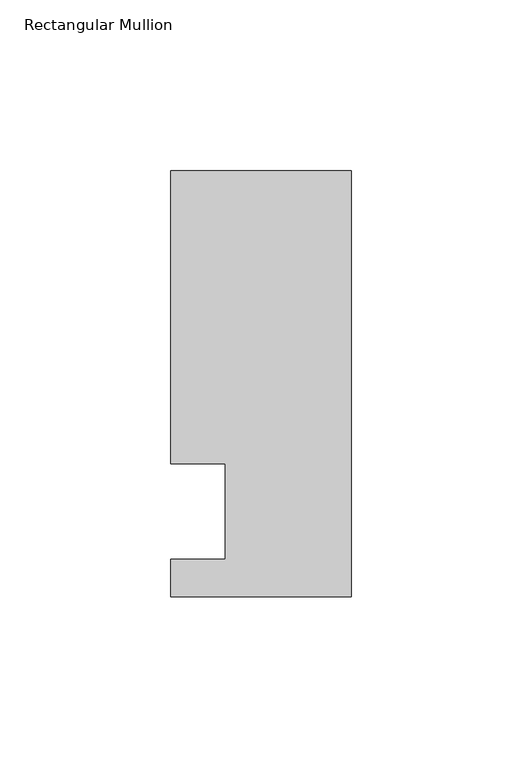
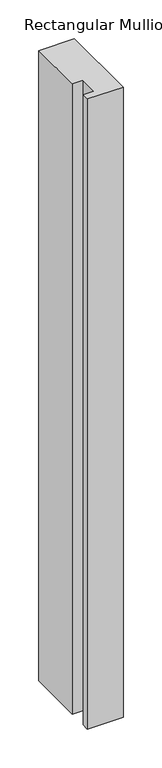
"""IFC4 building model written with IfcOpenShell, lengths in millimetres: member geometry, Rectangular Mullion."""

from ifc_helpers import new_model, si_unit, frame, origin, place, context, project, spatial, polyline, outline, extrude, source, transform, mapped, element, save


def rectangular_mullion_ef50603e(model_context):
    return source(origin(), model_context, "Body", "SweptSolid", [
        extrude(outline(polyline([(0.0, -25.0), (-53.0, -25.0), (-53.0, -14.0), (-37.0, -14.0), (-37.0, 14.0), (-53.0, 14.0), (-53.0, 100.0), (0.0, 100.0), (0.0, -25.0)])), frame((0.0, 0.0, -990.6623342), z_axis=(0.0, 0.0, 1.0), x_axis=(1.0, 0.0, 0.0)), (0.0, 0.0, 1.0), 990.6623342),
    ])


if __name__ == "__main__":
    model = new_model("IFC4")
    model_context = context("Model", 3, world=origin())
    ifc_project = project(units=[si_unit("LENGTHUNIT", "METRE", prefix="MILLI")], contexts=[model_context])
    site = spatial("IfcSite", under=ifc_project)
    building = spatial("IfcBuilding", under=site)
    placement = place(None, origin())
    rectangular_mullion_shape = rectangular_mullion_ef50603e(model_context)
    element("IfcMember", 1, ObjectType="Rectangular Mullion", at=placement, inside=building, context=model_context, shape_type="MappedRepresentation", body=[
        mapped(rectangular_mullion_shape, transform((0.0, 0.0, 0.0), x_axis=(1.0, 0.0, 0.0), y_axis=(0.0, 1.0, 0.0), z_axis=(0.0, 0.0, 1.0))),
    ])
    save(model, "model.ifc")
